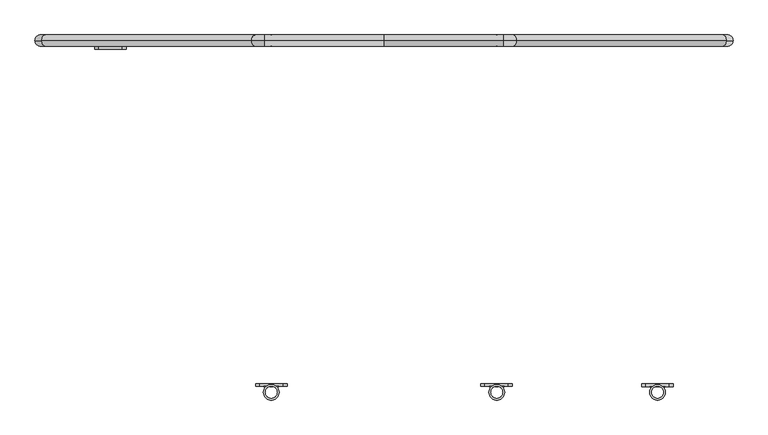
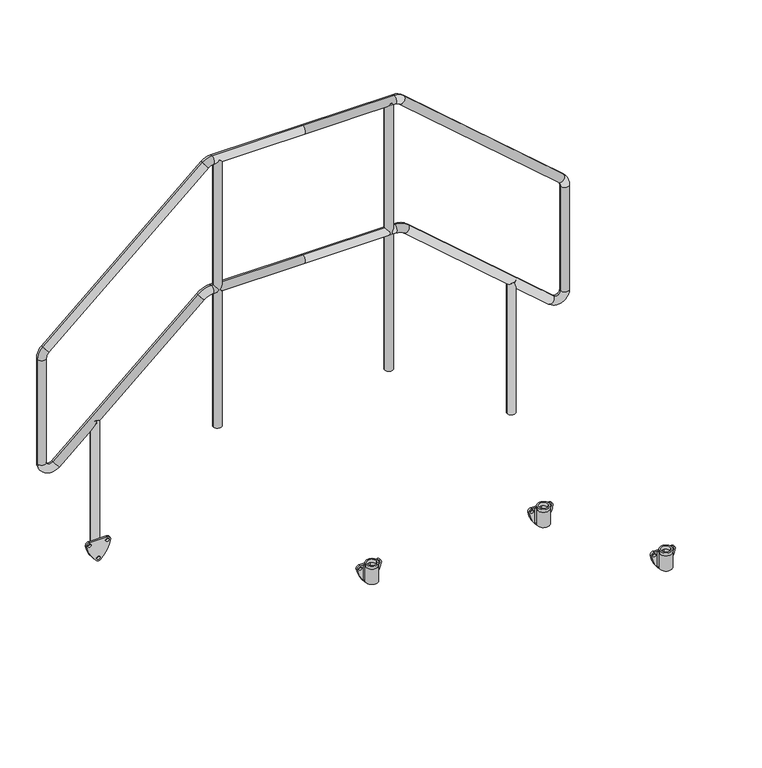
"""IFC4 building model written with IfcOpenShell, lengths in millimetres: beam geometry."""

from ifc_helpers import new_model, si_unit, point, frame, frame_2d, origin, place, context, project, spatial, polyline, circle_curve, ellipse_curve, trimmed, segment, composite_curve, outline, extrude, source, transform, mapped, element, save
from ifc_brep_helpers import plane_surface, cylinder_surface, revolved_surface, advanced_brep


def beam_7742e177(model_context):
    return source(origin(), model_context, "Body", "SolidModel", [
        extrude(outline(composite_curve([segment(trimmed(circle_curve(frame_2d((312.1021879, -755.6)), 118.3), [point((293.8380046, -872.4816051))], [point((221.6269174, -831.8175533))], False, "CARTESIAN"), True, "CONTINUOUS"), segment(trimmed(circle_curve(frame_2d((231.5021879, -825.0)), 12.0), [point((221.6269174, -831.8175533))], [point((223.2936993, -816.246674))], False, "CARTESIAN"), True, "CONTINUOUS"), segment(trimmed(circle_curve(frame_2d((312.1021879, -894.4)), 118.3), [point((223.2936993, -816.246674))], [point((293.8380046, -777.5183949))], False, "CARTESIAN"), True, "CONTINUOUS"), segment(trimmed(circle_curve(frame_2d((294.5021879, -789.5)), 12.0), [point((293.8380046, -777.5183949))], [point((306.5021879, -789.5))], False, "CARTESIAN"), True, "CONTINUOUS"), segment(polyline([(306.5021879, -789.5), (306.5021879, -860.5)]), True, "CONTINUOUS"), segment(trimmed(circle_curve(frame_2d((294.5021879, -860.5)), 12.0), [point((306.5021879, -860.5))], [point((293.8380046, -872.4816051))], False, "CARTESIAN"), True, "CONTINUOUS")], self_intersect=False), holes=[composite_curve([segment(trimmed(circle_curve(frame_2d((231.5021879, -825.0)), 6.0), [point((231.5021879, -831.0))], [point((231.5021879, -819.0))], True, "CARTESIAN"), True, "CONTINUOUS"), segment(trimmed(circle_curve(frame_2d((231.5021879, -825.0)), 6.0), [point((231.5021879, -819.0))], [point((231.5021879, -831.0))], True, "CARTESIAN"), True, "CONTINUOUS")], self_intersect=False), composite_curve([segment(trimmed(circle_curve(frame_2d((294.5021879, -860.5)), 6.0), [point((294.5021879, -866.5))], [point((294.5021879, -854.5))], True, "CARTESIAN"), True, "CONTINUOUS"), segment(trimmed(circle_curve(frame_2d((294.5021879, -860.5)), 6.0), [point((294.5021879, -854.5))], [point((294.5021879, -866.5))], True, "CARTESIAN"), True, "CONTINUOUS")], self_intersect=False), composite_curve([segment(trimmed(circle_curve(frame_2d((294.5021879, -789.5)), 6.0), [point((294.5021879, -783.5))], [point((294.5021879, -795.5))], True, "CARTESIAN"), True, "CONTINUOUS"), segment(trimmed(circle_curve(frame_2d((294.5021879, -789.5)), 6.0), [point((294.5021879, -795.5))], [point((294.5021879, -783.5))], True, "CARTESIAN"), True, "CONTINUOUS")], self_intersect=False)]), frame((0.0, 505.0, 0.0), z_axis=(0.0, 1.0, 0.0), x_axis=(0.0, 0.0, 1.0)), (0.0, 0.0, 1.0), 8.0),
        extrude(outline(composite_curve([segment(trimmed(circle_curve(frame_2d((-825.0, 530.5)), 16.8), [point((-841.8, 530.5))], [point((-808.2, 530.5))], False, "CARTESIAN"), True, "CONTINUOUS"), segment(trimmed(circle_curve(frame_2d((-825.0, 530.5)), 16.8), [point((-808.2, 530.5))], [point((-841.8, 530.5))], False, "CARTESIAN"), True, "CONTINUOUS")], self_intersect=False)), frame((0.0, 0.0, 248.5021879), z_axis=(0.0, 0.0, 1.0), x_axis=(1.0, 0.0, 0.0)), (0.0, 0.0, 1.0), 552.0),
        extrude(outline(composite_curve([segment(trimmed(circle_curve(frame_2d((825.0, 530.5)), 16.8), [point((841.8, 530.5))], [point((808.2, 530.5))], False, "CARTESIAN"), True, "CONTINUOUS"), segment(trimmed(circle_curve(frame_2d((825.0, 530.5)), 16.8), [point((808.2, 530.5))], [point((841.8, 530.5))], False, "CARTESIAN"), True, "CONTINUOUS")], self_intersect=False)), frame((0.0, 0.0, 248.5021879), z_axis=(0.0, 0.0, 1.0), x_axis=(1.0, 0.0, 0.0)), (0.0, 0.0, 1.0), 552.0),
        extrude(outline(composite_curve([segment(trimmed(circle_curve(frame_2d((-340.0, 530.5)), 16.8), [point((-356.8, 530.5))], [point((-323.2, 530.5))], False, "CARTESIAN"), True, "CONTINUOUS"), segment(trimmed(circle_curve(frame_2d((-340.0, 530.5)), 16.8), [point((-323.2, 530.5))], [point((-356.8, 530.5))], False, "CARTESIAN"), True, "CONTINUOUS")], self_intersect=False)), frame((0.0, 0.0, 600.5021879), z_axis=(0.0, 0.0, 1.0), x_axis=(1.0, 0.0, 0.0)), (0.0, 0.0, 1.0), 1120.0),
        extrude(outline(composite_curve([segment(trimmed(circle_curve(frame_2d((340.0, 530.5)), 16.8), [point((356.8, 530.5))], [point((323.2, 530.5))], False, "CARTESIAN"), True, "CONTINUOUS"), segment(trimmed(circle_curve(frame_2d((340.0, 530.5)), 16.8), [point((323.2, 530.5))], [point((356.8, 530.5))], False, "CARTESIAN"), True, "CONTINUOUS")], self_intersect=False)), frame((0.0, 0.0, 600.5021879), z_axis=(0.0, 0.0, 1.0), x_axis=(1.0, 0.0, 0.0)), (0.0, 0.0, 1.0), 1120.0),
        advanced_brep(
        [(0.0, 530.5, 1703.9021879), (0.0, 530.5, 1737.5021879), (360.0669192, 530.5, 1737.5021879), (360.0669192, 530.5, 1703.9021879), (399.430461, 530.5, 1722.7847627), (377.3868776, 530.5, 1697.4265208), (1032.3635417, 530.5, 1172.5844296), (1010.3199584, 530.5, 1147.2261877), (1053.0, 530.5, 1127.3018548), (1019.4, 530.5, 1127.3018548), (1053.0, 530.5, 689.3047776), (1019.4, 530.5, 689.3047776), (970.1970486, 530.5, 651.5692986), (992.2406319, 530.5, 676.9275405), (396.6087175, 530.5, 1150.1820278), (418.6523008, 530.5, 1175.5402697), (363.805766, 530.5, 1162.4465487), (363.805766, 530.5, 1196.0465487), (0.0, 530.5, 1162.4465487), (0.0, 530.5, 1196.0465487), (-360.0669192, 530.5, 1703.9021879), (-360.0669192, 530.5, 1737.5021879), (-377.3868776, 530.5, 1697.4265208), (-399.430461, 530.5, 1722.7847627), (-1010.3199584, 530.5, 1147.2261877), (-1032.3635417, 530.5, 1172.5844296), (-1019.4, 530.5, 1127.3018548), (-1053.0, 530.5, 1127.3018548), (-1019.4, 530.5, 689.3047776), (-1053.0, 530.5, 689.3047776), (-992.2406319, 530.5, 676.9275405), (-970.1970486, 530.5, 651.5692986), (-418.6523008, 530.5, 1175.5402697), (-396.6087175, 530.5, 1150.1820278), (-363.805766, 530.5, 1196.0465487), (-363.805766, 530.5, 1162.4465487)],
        [
            (0, 1, circle_curve(frame((0.0, 530.5, 1720.7021879), z_axis=(1.0, 0.0, 0.0), x_axis=(0.0, 0.0, -1.0)), 16.8)),
            (1, 2),
            (2, 3, circle_curve(frame((360.0669192, 530.5, 1720.7021879), z_axis=(-1.0, 0.0, 0.0), x_axis=(0.0, 0.0, -1.0)), 16.8)),
            (3, 0),
            (3, 2, circle_curve(frame((360.0669192, 530.5, 1720.7021879), z_axis=(-1.0, 0.0, 0.0), x_axis=(0.0, 0.0, -1.0)), 16.8)),
            (1, 0, circle_curve(frame((0.0, 530.5, 1720.7021879), z_axis=(1.0, 0.0, 0.0), x_axis=(0.0, 0.0, -1.0)), 16.8)),
            (2, 4, circle_curve(frame((360.0669192, 530.5, 1677.5021879), z_axis=(0.0, 1.0, 0.0), x_axis=(0.0, 0.0, 1.0)), 60.0)),
            (4, 5, circle_curve(frame((388.4086693, 530.5, 1710.1056417), z_axis=(-0.7547095802227741, 0.0, 0.6560590289905048), x_axis=(-0.6560590289905048, 0.0, -0.7547095802227741)), 16.8)),
            (5, 3, circle_curve(frame((360.0669192, 530.5, 1677.5021879), z_axis=(0.0, -1.0, 0.0), x_axis=(0.0, 0.0, 1.0)), 26.4)),
            (5, 4, circle_curve(frame((388.4086693, 530.5, 1710.1056417), z_axis=(-0.754709580222774, 0.0, 0.6560590289905049), x_axis=(-0.6560590289905049, 0.0, -0.754709580222774)), 16.8)),
            (4, 6),
            (6, 7, circle_curve(frame((1021.3417501, 530.5, 1159.9053087), z_axis=(-0.7547095802227749, 0.0, 0.6560590289905042), x_axis=(-0.6560590289905041, 0.0, -0.7547095802227747)), 16.8)),
            (7, 5),
            (7, 6, circle_curve(frame((1021.3417501, 530.5, 1159.9053087), z_axis=(-0.7547095802227749, 0.0, 0.6560590289905042), x_axis=(-0.6560590289905041, 0.0, -0.7547095802227747)), 16.8)),
            (6, 8, circle_curve(frame((993.0, 530.5, 1127.3018548), z_axis=(0.0, 1.0, 0.0), x_axis=(0.6560590289905052, 0.0, 0.7547095802227739)), 60.0)),
            (8, 9, circle_curve(frame((1036.2, 530.5, 1127.3018548), z_axis=(0.0, 0.0, 1.0), x_axis=(-1.0, 0.0, 0.0)), 16.8)),
            (9, 7, circle_curve(frame((993.0, 530.5, 1127.3018548), z_axis=(0.0, -1.0, 0.0), x_axis=(0.6560590289905052, 0.0, 0.7547095802227739)), 26.4)),
            (9, 8, circle_curve(frame((1036.2, 530.5, 1127.3018548), z_axis=(0.0, 0.0, 1.0), x_axis=(-1.0, 0.0, 0.0)), 16.8)),
            (8, 10),
            (10, 11, circle_curve(frame((1036.2, 530.5, 689.3047776), z_axis=(0.0, 0.0, 1.0), x_axis=(-1.0, 0.0, 0.0)), 16.8)),
            (11, 9),
            (11, 10, circle_curve(frame((1036.2, 530.5, 689.3047776), z_axis=(0.0, 0.0, 1.0), x_axis=(-1.0, 0.0, 0.0)), 16.8)),
            (10, 12, circle_curve(frame((1003.0, 530.5, 689.3047776), z_axis=(0.0, 1.0, 0.0), x_axis=(1.0, 0.0, 0.0)), 50.0)),
            (12, 13, circle_curve(frame((981.2188402, 530.5, 664.2484195), z_axis=(0.7547095802227778, 0.0, -0.6560590289905006), x_axis=(0.6560590289905006, 0.0, 0.7547095802227778)), 16.8)),
            (13, 11, circle_curve(frame((1003.0, 530.5, 689.3047776), z_axis=(0.0, -1.0, 0.0), x_axis=(1.0, 0.0, 0.0)), 16.4)),
            (13, 12, circle_curve(frame((981.2188402, 530.5, 664.2484195), z_axis=(0.7547095802227751, 0.0, -0.6560590289905036), x_axis=(0.6560590289905036, 0.0, 0.7547095802227751)), 16.8)),
            (12, 14),
            (14, 15, circle_curve(frame((407.6305092, 530.5, 1162.8611487), z_axis=(0.754709580222775, 0.0, -0.6560590289905041), x_axis=(0.6560590289905041, 0.0, 0.754709580222775)), 16.8)),
            (15, 13),
            (15, 14, circle_curve(frame((407.6305092, 530.5, 1162.8611487), z_axis=(0.754709580222775, 0.0, -0.6560590289905041), x_axis=(0.6560590289905041, 0.0, 0.754709580222775)), 16.8)),
            (14, 16, circle_curve(frame((363.805766, 530.5, 1112.4465487), z_axis=(0.0, -1.0, 0.0), x_axis=(0.6560590289905083, 0.0, 0.754709580222771)), 50.0)),
            (16, 17, circle_curve(frame((363.805766, 530.5, 1179.2465487), z_axis=(0.9999999999999998, 0.0, 0.0), x_axis=(0.0, 0.0, 0.9999999999999998)), 16.8)),
            (17, 15, circle_curve(frame((363.805766, 530.5, 1112.4465487), z_axis=(0.0, 1.0, 0.0), x_axis=(0.6560590289905083, 0.0, 0.754709580222771)), 83.6)),
            (17, 16, circle_curve(frame((363.805766, 530.5, 1179.2465487), z_axis=(0.9999999999999999, 0.0, 0.0), x_axis=(0.0, 0.0, 0.9999999999999999)), 16.8)),
            (16, 18),
            (18, 19, circle_curve(frame((0.0, 530.5, 1179.2465487), z_axis=(1.0, 0.0, 0.0), x_axis=(0.0, 0.0, 1.0)), 16.8)),
            (19, 17),
            (19, 18, circle_curve(frame((0.0, 530.5, 1179.2465487), z_axis=(1.0, 0.0, 0.0), x_axis=(0.0, 0.0, 1.0)), 16.8)),
            (0, 20),
            (20, 21, circle_curve(frame((-360.0669192, 530.5, 1720.7021879), z_axis=(1.0, 0.0, 0.0), x_axis=(0.0, 0.0, -1.0)), 16.8)),
            (21, 1),
            (21, 20, circle_curve(frame((-360.0669192, 530.5, 1720.7021879), z_axis=(1.0, 0.0, 0.0), x_axis=(0.0, 0.0, -1.0)), 16.8)),
            (20, 22, circle_curve(frame((-360.0669192, 530.5, 1677.5021879), z_axis=(0.0, -1.0, 0.0), x_axis=(0.0, 0.0, 1.0)), 26.4)),
            (22, 23, circle_curve(frame((-388.4086693, 530.5, 1710.1056417), z_axis=(0.7547095802227722, 0.0, 0.656059028990507), x_axis=(0.656059028990507, 0.0, -0.7547095802227722)), 16.8)),
            (23, 21, circle_curve(frame((-360.0669192, 530.5, 1677.5021879), z_axis=(0.0, 1.0, 0.0), x_axis=(0.0, 0.0, 1.0)), 60.0)),
            (23, 22, circle_curve(frame((-388.4086693, 530.5, 1710.1056417), z_axis=(0.7547095802227739, 0.0, 0.6560590289905052), x_axis=(0.6560590289905052, 0.0, -0.7547095802227739)), 16.8)),
            (22, 24),
            (24, 25, circle_curve(frame((-1021.3417501, 530.5, 1159.9053087), z_axis=(0.7547095802227749, 0.0, 0.6560590289905042), x_axis=(0.6560590289905041, 0.0, -0.7547095802227747)), 16.8)),
            (25, 23),
            (25, 24, circle_curve(frame((-1021.3417501, 530.5, 1159.9053087), z_axis=(0.7547095802227749, 0.0, 0.6560590289905042), x_axis=(0.6560590289905041, 0.0, -0.7547095802227747)), 16.8)),
            (24, 26, circle_curve(frame((-993.0, 530.5, 1127.3018548), z_axis=(0.0, -1.0, 0.0), x_axis=(-0.6560590289905052, 0.0, 0.7547095802227739)), 26.4)),
            (26, 27, circle_curve(frame((-1036.2, 530.5, 1127.3018548), z_axis=(0.0, 0.0, 1.0), x_axis=(1.0, 0.0, 0.0)), 16.8)),
            (27, 25, circle_curve(frame((-993.0, 530.5, 1127.3018548), z_axis=(0.0, 1.0, 0.0), x_axis=(-0.6560590289905052, 0.0, 0.7547095802227739)), 60.0)),
            (27, 26, circle_curve(frame((-1036.2, 530.5, 1127.3018548), z_axis=(0.0, 0.0, 1.0), x_axis=(1.0, 0.0, 0.0)), 16.8)),
            (26, 28),
            (28, 29, circle_curve(frame((-1036.2, 530.5, 689.3047776), z_axis=(0.0, 0.0, 1.0), x_axis=(1.0, 0.0, 0.0)), 16.8)),
            (29, 27),
            (29, 28, circle_curve(frame((-1036.2, 530.5, 689.3047776), z_axis=(0.0, 0.0, 1.0), x_axis=(1.0, 0.0, 0.0)), 16.8)),
            (28, 30, circle_curve(frame((-1003.0, 530.5, 689.3047776), z_axis=(0.0, -1.0, 0.0), x_axis=(-1.0, 0.0, 0.0)), 16.4)),
            (30, 31, circle_curve(frame((-981.2188402, 530.5, 664.2484195), z_axis=(-0.7547095802227816, 0.0, -0.6560590289904962), x_axis=(-0.6560590289904962, 0.0, 0.7547095802227816)), 16.8)),
            (31, 29, circle_curve(frame((-1003.0, 530.5, 689.3047776), z_axis=(0.0, 1.0, 0.0), x_axis=(-1.0, 0.0, 0.0)), 50.0)),
            (31, 30, circle_curve(frame((-981.2188402, 530.5, 664.2484195), z_axis=(-0.7547095802227767, 0.0, -0.656059028990502), x_axis=(-0.656059028990502, 0.0, 0.7547095802227767)), 16.8)),
            (30, 32),
            (32, 33, circle_curve(frame((-407.6305092, 530.5, 1162.8611487), z_axis=(-0.7547095802227749, 0.0, -0.6560590289905041), x_axis=(-0.6560590289905041, 0.0, 0.7547095802227749)), 16.8)),
            (33, 31),
            (33, 32, circle_curve(frame((-407.6305092, 530.5, 1162.8611487), z_axis=(-0.7547095802227749, 0.0, -0.6560590289905041), x_axis=(-0.6560590289905041, 0.0, 0.7547095802227749)), 16.8)),
            (32, 34, circle_curve(frame((-363.805766, 530.5, 1112.4465487), z_axis=(0.0, 1.0, 0.0), x_axis=(-0.6560590289905083, 0.0, 0.754709580222771)), 83.6)),
            (34, 35, circle_curve(frame((-363.805766, 530.5, 1179.2465487), z_axis=(-0.9999999999999999, 0.0, 0.0), x_axis=(0.0, 0.0, 0.9999999999999999)), 16.8)),
            (35, 33, circle_curve(frame((-363.805766, 530.5, 1112.4465487), z_axis=(0.0, -1.0, 0.0), x_axis=(-0.6560590289905083, 0.0, 0.754709580222771)), 50.0)),
            (35, 34, circle_curve(frame((-363.805766, 530.5, 1179.2465487), z_axis=(-0.9999999999999999, 0.0, 0.0), x_axis=(0.0, 0.0, 0.9999999999999999)), 16.8)),
            (34, 19),
            (18, 35),
        ],
        [
            cylinder_surface(frame((0.0, 530.5, 1720.7021879), z_axis=(-1.0, 0.0, 0.0), x_axis=(0.0, 0.0, -1.0)), 16.8),
            revolved_surface(trimmed(ellipse_curve(frame((360.0669192, 530.5, 1720.7021879), z_axis=(1.0, 0.0, 0.0), x_axis=(0.0, 0.0, -1.0)), 16.8, 16.8), [point((360.0669192, 530.5, 1703.9021879))], [point((360.0669192, 530.5, 1737.5021879))], True, "CARTESIAN"), (360.0669192, 530.5, 1677.5021879), (0.0, -1.0, 0.0)),
            revolved_surface(trimmed(ellipse_curve(frame((360.0669192, 530.5, 1720.7021879), z_axis=(1.0, 0.0, 0.0), x_axis=(0.0, 0.0, -1.0)), 16.8, 16.8), [point((360.0669192, 530.5, 1737.5021879))], [point((360.0669192, 530.5, 1703.9021879))], True, "CARTESIAN"), (360.0669192, 530.5, 1677.5021879), (0.0, -1.0, 0.0)),
            cylinder_surface(frame((388.4086693, 530.5, 1710.1056417), z_axis=(-0.7547095802227747, 0.0, 0.6560590289905041), x_axis=(-0.6560590289905041, 0.0, -0.7547095802227747)), 16.8),
            revolved_surface(trimmed(ellipse_curve(frame((1021.3417501, 530.5, 1159.9053087), z_axis=(0.754709580222774, 0.0, -0.656059028990505), x_axis=(-0.656059028990505, 0.0, -0.754709580222774)), 16.8, 16.8), [point((1010.3199584, 530.5, 1147.2261877))], [point((1032.3635417, 530.5, 1172.5844296))], True, "CARTESIAN"), (993.0, 530.5, 1127.3018548), (0.0, -1.0, 0.0)),
            revolved_surface(trimmed(ellipse_curve(frame((1021.3417501, 530.5, 1159.9053087), z_axis=(0.754709580222774, 0.0, -0.656059028990505), x_axis=(-0.656059028990505, 0.0, -0.754709580222774)), 16.8, 16.8), [point((1032.3635417, 530.5, 1172.5844296))], [point((1010.3199584, 530.5, 1147.2261877))], True, "CARTESIAN"), (993.0, 530.5, 1127.3018548), (0.0, -1.0, 0.0)),
            cylinder_surface(frame((1036.2, 530.5, 1127.3018548), z_axis=(0.0, 0.0, 1.0), x_axis=(-1.0, 0.0, 0.0)), 16.8),
            revolved_surface(trimmed(ellipse_curve(frame((1036.2, 530.5, 689.3047776), z_axis=(0.0, 0.0, -1.0), x_axis=(-1.0, 0.0, 0.0)), 16.8, 16.8), [point((1019.4, 530.5, 689.3047776))], [point((1053.0, 530.5, 689.3047776))], True, "CARTESIAN"), (1003.0, 530.5, 689.3047776), (0.0, -1.0, 0.0)),
            revolved_surface(trimmed(ellipse_curve(frame((1036.2, 530.5, 689.3047776), z_axis=(0.0, 0.0, -1.0), x_axis=(-1.0, 0.0, 0.0)), 16.8, 16.8), [point((1053.0, 530.5, 689.3047776))], [point((1019.4, 530.5, 689.3047776))], True, "CARTESIAN"), (1003.0, 530.5, 689.3047776), (0.0, -1.0, 0.0)),
            cylinder_surface(frame((981.2188402, 530.5, 664.2484195), z_axis=(0.754709580222775, 0.0, -0.6560590289905041), x_axis=(0.6560590289905041, 0.0, 0.754709580222775)), 16.8),
            revolved_surface(trimmed(ellipse_curve(frame((407.6305092, 530.5, 1162.8611487), z_axis=(-0.7547095802227712, 0.0, 0.656059028990508), x_axis=(0.656059028990508, 0.0, 0.7547095802227712)), 16.8, 16.8), [point((418.6523008, 530.5, 1175.5402697))], [point((396.6087175, 530.5, 1150.1820278))], True, "CARTESIAN"), (363.805766, 530.5, 1112.4465487), (0.0, 1.0, 0.0)),
            revolved_surface(trimmed(ellipse_curve(frame((407.6305092, 530.5, 1162.8611487), z_axis=(-0.7547095802227712, 0.0, 0.656059028990508), x_axis=(0.656059028990508, 0.0, 0.7547095802227712)), 16.8, 16.8), [point((396.6087175, 530.5, 1150.1820278))], [point((418.6523008, 530.5, 1175.5402697))], True, "CARTESIAN"), (363.805766, 530.5, 1112.4465487), (0.0, 1.0, 0.0)),
            cylinder_surface(frame((363.805766, 530.5, 1179.2465487), z_axis=(1.0, 0.0, 0.0), x_axis=(0.0, 0.0, 1.0)), 16.8),
            cylinder_surface(frame((0.0, 530.5, 1720.7021879), z_axis=(1.0, 0.0, 0.0), x_axis=(0.0, 0.0, -1.0)), 16.8),
            revolved_surface(trimmed(ellipse_curve(frame((-360.0669192, 530.5, 1720.7021879), z_axis=(-1.0, 0.0, 0.0), x_axis=(0.0, 0.0, -1.0)), 16.8, 16.8), [point((-360.0669192, 530.5, 1737.5021879))], [point((-360.0669192, 530.5, 1703.9021879))], True, "CARTESIAN"), (-360.0669192, 530.5, 1677.5021879), (0.0, 1.0, 0.0)),
            revolved_surface(trimmed(ellipse_curve(frame((-360.0669192, 530.5, 1720.7021879), z_axis=(-1.0, 0.0, 0.0), x_axis=(0.0, 0.0, -1.0)), 16.8, 16.8), [point((-360.0669192, 530.5, 1703.9021879))], [point((-360.0669192, 530.5, 1737.5021879))], True, "CARTESIAN"), (-360.0669192, 530.5, 1677.5021879), (0.0, 1.0, 0.0)),
            cylinder_surface(frame((-388.4086693, 530.5, 1710.1056417), z_axis=(0.7547095802227747, 0.0, 0.6560590289905041), x_axis=(0.6560590289905041, 0.0, -0.7547095802227747)), 16.8),
            revolved_surface(trimmed(ellipse_curve(frame((-1021.3417501, 530.5, 1159.9053087), z_axis=(-0.754709580222774, 0.0, -0.656059028990505), x_axis=(0.656059028990505, 0.0, -0.754709580222774)), 16.8, 16.8), [point((-1032.3635417, 530.5, 1172.5844296))], [point((-1010.3199584, 530.5, 1147.2261877))], True, "CARTESIAN"), (-993.0, 530.5, 1127.3018548), (0.0, 1.0, 0.0)),
            revolved_surface(trimmed(ellipse_curve(frame((-1021.3417501, 530.5, 1159.9053087), z_axis=(-0.754709580222774, 0.0, -0.656059028990505), x_axis=(0.656059028990505, 0.0, -0.754709580222774)), 16.8, 16.8), [point((-1010.3199584, 530.5, 1147.2261877))], [point((-1032.3635417, 530.5, 1172.5844296))], True, "CARTESIAN"), (-993.0, 530.5, 1127.3018548), (0.0, 1.0, 0.0)),
            cylinder_surface(frame((-1036.2, 530.5, 1127.3018548), z_axis=(0.0, 0.0, 1.0), x_axis=(1.0, 0.0, 0.0)), 16.8),
            revolved_surface(trimmed(ellipse_curve(frame((-1036.2, 530.5, 689.3047776), z_axis=(0.0, 0.0, -1.0), x_axis=(1.0, 0.0, 0.0)), 16.8, 16.8), [point((-1053.0, 530.5, 689.3047776))], [point((-1019.4, 530.5, 689.3047776))], True, "CARTESIAN"), (-1003.0, 530.5, 689.3047776), (0.0, 1.0, 0.0)),
            revolved_surface(trimmed(ellipse_curve(frame((-1036.2, 530.5, 689.3047776), z_axis=(0.0, 0.0, -1.0), x_axis=(1.0, 0.0, 0.0)), 16.8, 16.8), [point((-1019.4, 530.5, 689.3047776))], [point((-1053.0, 530.5, 689.3047776))], True, "CARTESIAN"), (-1003.0, 530.5, 689.3047776), (0.0, 1.0, 0.0)),
            cylinder_surface(frame((-981.2188402, 530.5, 664.2484195), z_axis=(-0.7547095802227749, 0.0, -0.6560590289905041), x_axis=(-0.6560590289905041, 0.0, 0.7547095802227749)), 16.8),
            revolved_surface(trimmed(ellipse_curve(frame((-407.6305092, 530.5, 1162.8611487), z_axis=(0.7547095802227712, 0.0, 0.656059028990508), x_axis=(-0.656059028990508, 0.0, 0.7547095802227712)), 16.8, 16.8), [point((-396.6087175, 530.5, 1150.1820278))], [point((-418.6523008, 530.5, 1175.5402697))], True, "CARTESIAN"), (-363.805766, 530.5, 1112.4465487), (0.0, -1.0, 0.0)),
            revolved_surface(trimmed(ellipse_curve(frame((-407.6305092, 530.5, 1162.8611487), z_axis=(0.7547095802227712, 0.0, 0.656059028990508), x_axis=(-0.656059028990508, 0.0, 0.7547095802227712)), 16.8, 16.8), [point((-418.6523008, 530.5, 1175.5402697))], [point((-396.6087175, 530.5, 1150.1820278))], True, "CARTESIAN"), (-363.805766, 530.5, 1112.4465487), (0.0, -1.0, 0.0)),
            cylinder_surface(frame((-363.805766, 530.5, 1179.2465487), z_axis=(-1.0, 0.0, 0.0), x_axis=(0.0, 0.0, 1.0)), 16.8),
        ],
        [
            (0, [[1, 2, 3, 4]]),
            (0, [[5, -2, 6, -4]]),
            (1, [[7, 8, 9, -3]]),
            (2, [[-9, 10, -7, -5]]),
            (3, [[11, 12, 13, -8]]),
            (3, [[-13, 14, -11, -10]]),
            (4, [[15, 16, 17, -12]]),
            (5, [[-17, 18, -15, -14]]),
            (6, [[19, 20, 21, -16]]),
            (6, [[-21, 22, -19, -18]]),
            (7, [[23, 24, 25, -20]]),
            (8, [[-25, 26, -23, -22]]),
            (9, [[27, 28, 29, -24]]),
            (9, [[-29, 30, -27, -26]]),
            (10, [[31, 32, 33, -28]]),
            (11, [[-33, 34, -31, -30]]),
            (12, [[35, 36, 37, -32]]),
            (12, [[-37, 38, -35, -34]]),
            (13, [[-1, 39, 40, 41]]),
            (13, [[42, -39, -6, -41]]),
            (14, [[43, 44, 45, -40]]),
            (15, [[-45, 46, -43, -42]]),
            (16, [[47, 48, 49, -44]]),
            (16, [[-49, 50, -47, -46]]),
            (17, [[51, 52, 53, -48]]),
            (18, [[-53, 54, -51, -50]]),
            (19, [[55, 56, 57, -52]]),
            (19, [[-57, 58, -55, -54]]),
            (20, [[59, 60, 61, -56]]),
            (21, [[-61, 62, -59, -58]]),
            (22, [[63, 64, 65, -60]]),
            (22, [[-65, 66, -63, -62]]),
            (23, [[67, 68, 69, -64]]),
            (24, [[-69, 70, -67, -66]]),
            (25, [[71, -36, 72, -68]]),
            (25, [[-72, -38, -71, -70]]),
        ],
    ),
        advanced_brep(
        [(801.5, -530.5, 318.5021879), (848.5, -530.5, 318.5021879), (807.5, -530.5, 318.5021879), (842.5, -530.5, 318.5021879), (809.3156129, -513.0, 306.5021879), (840.6843871, -513.0, 306.5021879), (825.0, -513.0, 306.5021879), (807.5, -530.5, 306.5021879), (820.7257904, -513.5299932, 306.5021879), (825.0, -513.0, 306.5021879), (829.2742096, -513.5299932, 306.5021879), (842.5, -530.5, 306.5021879), (801.5, -530.5, 306.5021879), (848.5, -530.5, 306.5021879), (844.9275065, -518.0442991, 306.5021879), (805.0724935, -518.0442991, 306.5021879), (847.839834, -513.0, 306.5021879), (802.160166, -513.0, 306.5021879), (844.9275065, -518.0442991, 242.5021879), (805.0724935, -518.0442991, 242.5021879), (802.160166, -513.0, 242.5021879), (847.839834, -513.0, 242.5021879), (829.2742096, -513.5299932, 242.5021879), (820.7257904, -513.5299932, 242.5021879)],
        [
            (0, 1, circle_curve(frame((825.0, -530.5, 318.5021879), z_axis=(0.0, 0.0, 1.0), x_axis=(1.0, 0.0, 0.0)), 23.5)),
            (1, 0, circle_curve(frame((825.0, -530.5, 318.5021879), z_axis=(0.0, 0.0, 1.0), x_axis=(1.0, 0.0, 0.0)), 23.5)),
            (2, 3, circle_curve(frame((825.0, -530.5, 318.5021879), z_axis=(0.0, 0.0, -1.0), x_axis=(1.0, 0.0, 0.0)), 17.5)),
            (3, 2, circle_curve(frame((825.0, -530.5, 318.5021879), z_axis=(0.0, 0.0, -1.0), x_axis=(1.0, 0.0, 0.0)), 17.5)),
            (4, 5, circle_curve(frame((825.0, -530.5, 306.5021879), z_axis=(0.0, 0.0, -1.0), x_axis=(1.0, 0.0, 0.0)), 23.5)),
            (5, 6),
            (6, 4),
            (2, 7),
            (7, 8, circle_curve(frame((825.0, -530.5, 306.5021879), z_axis=(0.0, 0.0, -1.0), x_axis=(1.0, 0.0, 0.0)), 17.5)),
            (8, 9, circle_curve(frame((825.0, -530.5, 306.5021879), z_axis=(0.0, 0.0, -1.0), x_axis=(1.0, 0.0, 0.0)), 17.5)),
            (9, 10, circle_curve(frame((825.0, -530.5, 306.5021879), z_axis=(0.0, 0.0, -1.0), x_axis=(1.0, 0.0, 0.0)), 17.5)),
            (10, 11, circle_curve(frame((825.0, -530.5, 306.5021879), z_axis=(0.0, 0.0, -1.0), x_axis=(1.0, 0.0, 0.0)), 17.5)),
            (11, 3),
            (11, 7, circle_curve(frame((825.0, -530.5, 306.5021879), z_axis=(0.0, 0.0, -1.0), x_axis=(1.0, 0.0, 0.0)), 17.5)),
            (0, 12),
            (12, 13, circle_curve(frame((825.0, -530.5, 306.5021879), z_axis=(0.0, 0.0, 1.0), x_axis=(1.0, 0.0, 0.0)), 23.5)),
            (13, 1),
            (13, 14, circle_curve(frame((825.0, -530.5, 306.5021879), z_axis=(0.0, 0.0, 1.0), x_axis=(1.0, 0.0, 0.0)), 23.5)),
            (14, 5, circle_curve(frame((825.0, -530.5, 306.5021879), z_axis=(0.0, 0.0, 1.0), x_axis=(1.0, 0.0, 0.0)), 23.5)),
            (4, 15, circle_curve(frame((825.0, -530.5, 306.5021879), z_axis=(0.0, 0.0, 1.0), x_axis=(1.0, 0.0, 0.0)), 23.5)),
            (15, 12, circle_curve(frame((825.0, -530.5, 306.5021879), z_axis=(0.0, 0.0, 1.0), x_axis=(1.0, 0.0, 0.0)), 23.5)),
            (8, 10),
            (14, 16, circle_curve(frame((847.8288747, -516.3565387, 306.5021879), z_axis=(0.0, 0.0, -1.0), x_axis=(-1.0, 0.0, 0.0)), 3.3565566)),
            (16, 5),
            (17, 15, circle_curve(frame((802.1711253, -516.3565387, 306.5021879), z_axis=(0.0, 0.0, -1.0), x_axis=(1.0, 0.0, 0.0)), 3.3565566)),
            (4, 17),
            (18, 19, circle_curve(frame((825.0, -530.5, 242.5021879), z_axis=(0.0, 0.0, -1.0), x_axis=(1.0, 0.0, 0.0)), 23.5)),
            (19, 20, circle_curve(frame((802.1711253, -516.3565387, 242.5021879), z_axis=(0.0, 0.0, 1.0), x_axis=(1.0, 0.0, 0.0)), 3.3565566)),
            (20, 21),
            (21, 18, circle_curve(frame((847.8288747, -516.3565387, 242.5021879), z_axis=(0.0, 0.0, 1.0), x_axis=(-1.0, 0.0, 0.0)), 3.3565566)),
            (22, 23),
            (23, 22, circle_curve(frame((825.0, -530.5, 242.5021879), z_axis=(0.0, 0.0, 1.0), x_axis=(1.0, 0.0, 0.0)), 17.5)),
            (23, 8),
            (10, 22),
            (14, 18),
            (21, 16),
            (20, 17),
            (19, 15),
        ],
        [
            plane_surface(frame((842.5, -530.5, 318.5021879), z_axis=(0.0, 0.0, 1.0), x_axis=(0.0, -1.0, 0.0))),
            plane_surface(frame((842.5, -530.5, 306.5021879), z_axis=(0.0, 0.0, -1.0), x_axis=(0.0, 1.0, 0.0))),
            revolved_surface(polyline([(842.5, -530.5, 306.5021879), (842.5, -530.5, 318.5021879)]), (825.0, -530.5, 306.5021879), (0.0, 0.0, -1.0)),
            cylinder_surface(frame((825.0, -530.5, 306.5021879), z_axis=(0.0, 0.0, 1.0), x_axis=(1.0, 0.0, 0.0)), 23.5),
            plane_surface(frame((842.5, -530.5, 306.5021879), z_axis=(0.0, 0.0, 1.0), x_axis=(0.0, -1.0, 0.0))),
            plane_surface(frame((842.5, -530.5, 242.5021879), z_axis=(0.0, 0.0, -1.0), x_axis=(0.0, 1.0, 0.0))),
            revolved_surface(polyline([(842.5, -530.5, 242.5021879), (842.5, -530.5, 306.5021879)]), (825.0, -530.5, 242.5021879), (0.0, 0.0, -1.0)),
            plane_surface(frame((820.7257904, -513.5299932, 306.5021879), z_axis=(0.0, -1.0, 0.0), x_axis=(0.0, 0.0, -1.0))),
            revolved_surface(polyline([(844.4723181, -516.3565387, 242.5021879), (844.4723181, -516.3565387, 306.5021879)]), (847.8288747, -516.3565387, 242.5021879), (0.0, 0.0, -1.0)),
            plane_surface(frame((847.839834, -513.0, 306.5021879), z_axis=(0.0, 1.0, 0.0), x_axis=(0.0, 0.0, -1.0))),
            revolved_surface(polyline([(805.5276819, -516.3565387, 242.5021879), (805.5276819, -516.3565387, 306.5021879)]), (802.1711253, -516.3565387, 242.5021879), (0.0, 0.0, -1.0)),
            cylinder_surface(frame((825.0, -530.5, 242.5021879), z_axis=(0.0, 0.0, 1.0), x_axis=(1.0, 0.0, 0.0)), 23.5),
        ],
        [
            (0, [[1, 2], [3, 4]]),
            (1, [[5, 6, 7]]),
            (2, [[-3, 8, 9, 10, 11, 12, 13]]),
            (2, [[-4, -13, 14, -8]]),
            (3, [[-1, 15, 16, 17]]),
            (3, [[-2, -17, 18, 19, -5, 20, 21, -15]]),
            (4, [[22, -11, -10]]),
            (4, [[23, 24, -19]]),
            (4, [[25, -20, 26]]),
            (5, [[27, 28, 29, 30], [31, 32]]),
            (6, [[-32, 33, -9, -14, -12, 34]]),
            (7, [[-22, -33, -31, -34]]),
            (8, [[-23, 35, -30, 36]]),
            (9, [[-29, 37, -26, -7, -6, -24, -36]]),
            (10, [[-25, -37, -28, 38]]),
            (11, [[-27, -35, -18, -16, -21, -38]]),
        ],
    ),
        extrude(outline(composite_curve([segment(trimmed(circle_curve(frame_2d((312.1021879, 894.4)), 118.3), [point((293.8380046, 777.5183949))], [point((221.6269174, 818.1824467))], False, "CARTESIAN"), True, "CONTINUOUS"), segment(trimmed(circle_curve(frame_2d((231.5021879, 825.0)), 12.0), [point((221.6269174, 818.1824467))], [point((223.2936993, 833.753326))], False, "CARTESIAN"), True, "CONTINUOUS"), segment(trimmed(circle_curve(frame_2d((312.1021879, 755.6)), 118.3), [point((223.2936993, 833.753326))], [point((293.8380046, 872.4816051))], False, "CARTESIAN"), True, "CONTINUOUS"), segment(trimmed(circle_curve(frame_2d((294.5021879, 860.5)), 12.0), [point((293.8380046, 872.4816051))], [point((306.5021879, 860.5))], False, "CARTESIAN"), True, "CONTINUOUS"), segment(polyline([(306.5021879, 860.5), (306.5021879, 789.5)]), True, "CONTINUOUS"), segment(trimmed(circle_curve(frame_2d((294.5021879, 789.5)), 12.0), [point((306.5021879, 789.5))], [point((293.8380046, 777.5183949))], False, "CARTESIAN"), True, "CONTINUOUS")], self_intersect=False), holes=[composite_curve([segment(trimmed(circle_curve(frame_2d((231.5021879, 825.0)), 6.0), [point((231.5021879, 819.0))], [point((231.5021879, 831.0))], True, "CARTESIAN"), True, "CONTINUOUS"), segment(trimmed(circle_curve(frame_2d((231.5021879, 825.0)), 6.0), [point((231.5021879, 831.0))], [point((231.5021879, 819.0))], True, "CARTESIAN"), True, "CONTINUOUS")], self_intersect=False), composite_curve([segment(trimmed(circle_curve(frame_2d((294.5021879, 789.5)), 6.0), [point((294.5021879, 783.5))], [point((294.5021879, 795.5))], True, "CARTESIAN"), True, "CONTINUOUS"), segment(trimmed(circle_curve(frame_2d((294.5021879, 789.5)), 6.0), [point((294.5021879, 795.5))], [point((294.5021879, 783.5))], True, "CARTESIAN"), True, "CONTINUOUS")], self_intersect=False), composite_curve([segment(trimmed(circle_curve(frame_2d((294.5021879, 860.5)), 6.0), [point((294.5021879, 866.5))], [point((294.5021879, 854.5))], True, "CARTESIAN"), True, "CONTINUOUS"), segment(trimmed(circle_curve(frame_2d((294.5021879, 860.5)), 6.0), [point((294.5021879, 854.5))], [point((294.5021879, 866.5))], True, "CARTESIAN"), True, "CONTINUOUS")], self_intersect=False)]), frame((0.0, -513.0, 0.0), z_axis=(0.0, 1.0, 0.0), x_axis=(0.0, 0.0, 1.0)), (0.0, 0.0, 1.0), 8.0),
        advanced_brep(
        [(316.5, -530.5, 670.5021879), (363.5, -530.5, 670.5021879), (322.5, -530.5, 670.5021879), (357.5, -530.5, 670.5021879), (324.3156129, -513.0, 658.5021879), (355.6843871, -513.0, 658.5021879), (340.0, -513.0, 658.5021879), (322.5, -530.5, 658.5021879), (335.7257904, -513.5299932, 658.5021879), (340.0, -513.0, 658.5021879), (344.2742096, -513.5299932, 658.5021879), (357.5, -530.5, 658.5021879), (316.5, -530.5, 658.5021879), (363.5, -530.5, 658.5021879), (359.9275065, -518.0442991, 658.5021879), (320.0724935, -518.0442991, 658.5021879), (362.839834, -513.0, 658.5021879), (317.160166, -513.0, 658.5021879), (359.9275065, -518.0442991, 594.5021879), (320.0724935, -518.0442991, 594.5021879), (317.160166, -513.0, 594.5021879), (362.839834, -513.0, 594.5021879), (344.2742096, -513.5299932, 594.5021879), (335.7257904, -513.5299932, 594.5021879)],
        [
            (0, 1, circle_curve(frame((340.0, -530.5, 670.5021879), z_axis=(0.0, 0.0, 1.0), x_axis=(1.0, 0.0, 0.0)), 23.5)),
            (1, 0, circle_curve(frame((340.0, -530.5, 670.5021879), z_axis=(0.0, 0.0, 1.0), x_axis=(1.0, 0.0, 0.0)), 23.5)),
            (2, 3, circle_curve(frame((340.0, -530.5, 670.5021879), z_axis=(0.0, 0.0, -1.0), x_axis=(1.0, 0.0, 0.0)), 17.5)),
            (3, 2, circle_curve(frame((340.0, -530.5, 670.5021879), z_axis=(0.0, 0.0, -1.0), x_axis=(1.0, 0.0, 0.0)), 17.5)),
            (4, 5, circle_curve(frame((340.0, -530.5, 658.5021879), z_axis=(0.0, 0.0, -1.0), x_axis=(1.0, 0.0, 0.0)), 23.5)),
            (5, 6),
            (6, 4),
            (2, 7),
            (7, 8, circle_curve(frame((340.0, -530.5, 658.5021879), z_axis=(0.0, 0.0, -1.0), x_axis=(1.0, 0.0, 0.0)), 17.5)),
            (8, 9, circle_curve(frame((340.0, -530.5, 658.5021879), z_axis=(0.0, 0.0, -1.0), x_axis=(1.0, 0.0, 0.0)), 17.5)),
            (9, 10, circle_curve(frame((340.0, -530.5, 658.5021879), z_axis=(0.0, 0.0, -1.0), x_axis=(1.0, 0.0, 0.0)), 17.5)),
            (10, 11, circle_curve(frame((340.0, -530.5, 658.5021879), z_axis=(0.0, 0.0, -1.0), x_axis=(1.0, 0.0, 0.0)), 17.5)),
            (11, 3),
            (11, 7, circle_curve(frame((340.0, -530.5, 658.5021879), z_axis=(0.0, 0.0, -1.0), x_axis=(1.0, 0.0, 0.0)), 17.5)),
            (0, 12),
            (12, 13, circle_curve(frame((340.0, -530.5, 658.5021879), z_axis=(0.0, 0.0, 1.0), x_axis=(1.0, 0.0, 0.0)), 23.5)),
            (13, 1),
            (13, 14, circle_curve(frame((340.0, -530.5, 658.5021879), z_axis=(0.0, 0.0, 1.0), x_axis=(1.0, 0.0, 0.0)), 23.5)),
            (14, 5, circle_curve(frame((340.0, -530.5, 658.5021879), z_axis=(0.0, 0.0, 1.0), x_axis=(1.0, 0.0, 0.0)), 23.5)),
            (4, 15, circle_curve(frame((340.0, -530.5, 658.5021879), z_axis=(0.0, 0.0, 1.0), x_axis=(1.0, 0.0, 0.0)), 23.5)),
            (15, 12, circle_curve(frame((340.0, -530.5, 658.5021879), z_axis=(0.0, 0.0, 1.0), x_axis=(1.0, 0.0, 0.0)), 23.5)),
            (8, 10),
            (14, 16, circle_curve(frame((362.8288747, -516.3565387, 658.5021879), z_axis=(0.0, 0.0, -1.0), x_axis=(-1.0, 0.0, 0.0)), 3.3565566)),
            (16, 5),
            (17, 15, circle_curve(frame((317.1711253, -516.3565387, 658.5021879), z_axis=(0.0, 0.0, -1.0), x_axis=(1.0, 0.0, 0.0)), 3.3565566)),
            (4, 17),
            (18, 19, circle_curve(frame((340.0, -530.5, 594.5021879), z_axis=(0.0, 0.0, -1.0), x_axis=(1.0, 0.0, 0.0)), 23.5)),
            (19, 20, circle_curve(frame((317.1711253, -516.3565387, 594.5021879), z_axis=(0.0, 0.0, 1.0), x_axis=(1.0, 0.0, 0.0)), 3.3565566)),
            (20, 21),
            (21, 18, circle_curve(frame((362.8288747, -516.3565387, 594.5021879), z_axis=(0.0, 0.0, 1.0), x_axis=(-1.0, 0.0, 0.0)), 3.3565566)),
            (22, 23),
            (23, 22, circle_curve(frame((340.0, -530.5, 594.5021879), z_axis=(0.0, 0.0, 1.0), x_axis=(1.0, 0.0, 0.0)), 17.5)),
            (23, 8),
            (10, 22),
            (14, 18),
            (21, 16),
            (20, 17),
            (19, 15),
        ],
        [
            plane_surface(frame((357.5, -530.5, 670.5021879), z_axis=(0.0, 0.0, 1.0), x_axis=(0.0, -1.0, 0.0))),
            plane_surface(frame((357.5, -530.5, 658.5021879), z_axis=(0.0, 0.0, -1.0), x_axis=(0.0, 1.0, 0.0))),
            revolved_surface(polyline([(357.5, -530.5, 658.5021879), (357.5, -530.5, 670.5021879)]), (340.0, -530.5, 658.5021879), (0.0, 0.0, -1.0)),
            cylinder_surface(frame((340.0, -530.5, 658.5021879), z_axis=(0.0, 0.0, 1.0), x_axis=(1.0, 0.0, 0.0)), 23.5),
            plane_surface(frame((357.5, -530.5, 658.5021879), z_axis=(0.0, 0.0, 1.0), x_axis=(0.0, -1.0, 0.0))),
            plane_surface(frame((357.5, -530.5, 594.5021879), z_axis=(0.0, 0.0, -1.0), x_axis=(0.0, 1.0, 0.0))),
            revolved_surface(polyline([(357.5, -530.5, 594.5021879), (357.5, -530.5, 658.5021879)]), (340.0, -530.5, 594.5021879), (0.0, 0.0, -1.0)),
            plane_surface(frame((335.7257904, -513.5299932, 658.5021879), z_axis=(0.0, -1.0, 0.0), x_axis=(0.0, 0.0, -1.0))),
            revolved_surface(polyline([(359.4723181, -516.3565387, 594.5021879), (359.4723181, -516.3565387, 658.5021879)]), (362.8288747, -516.3565387, 594.5021879), (0.0, 0.0, -1.0)),
            plane_surface(frame((362.839834, -513.0, 658.5021879), z_axis=(0.0, 1.0, 0.0), x_axis=(0.0, 0.0, -1.0))),
            revolved_surface(polyline([(320.5276819, -516.3565387, 594.5021879), (320.5276819, -516.3565387, 658.5021879)]), (317.1711253, -516.3565387, 594.5021879), (0.0, 0.0, -1.0)),
            cylinder_surface(frame((340.0, -530.5, 594.5021879), z_axis=(0.0, 0.0, 1.0), x_axis=(1.0, 0.0, 0.0)), 23.5),
        ],
        [
            (0, [[1, 2], [3, 4]]),
            (1, [[5, 6, 7]]),
            (2, [[-3, 8, 9, 10, 11, 12, 13]]),
            (2, [[-4, -13, 14, -8]]),
            (3, [[-1, 15, 16, 17]]),
            (3, [[-2, -17, 18, 19, -5, 20, 21, -15]]),
            (4, [[22, -11, -10]]),
            (4, [[23, 24, -19]]),
            (4, [[25, -20, 26]]),
            (5, [[27, 28, 29, 30], [31, 32]]),
            (6, [[-32, 33, -9, -14, -12, 34]]),
            (7, [[-22, -33, -31, -34]]),
            (8, [[-23, 35, -30, 36]]),
            (9, [[-29, 37, -26, -7, -6, -24, -36]]),
            (10, [[-25, -37, -28, 38]]),
            (11, [[-27, -35, -18, -16, -21, -38]]),
        ],
    ),
        extrude(outline(composite_curve([segment(trimmed(circle_curve(frame_2d((664.1021879, 409.4)), 118.3), [point((645.8380046, 292.5183949))], [point((573.6269174, 333.1824467))], False, "CARTESIAN"), True, "CONTINUOUS"), segment(trimmed(circle_curve(frame_2d((583.5021879, 340.0)), 12.0), [point((573.6269174, 333.1824467))], [point((575.2936993, 348.753326))], False, "CARTESIAN"), True, "CONTINUOUS"), segment(trimmed(circle_curve(frame_2d((664.1021879, 270.6)), 118.3), [point((575.2936993, 348.753326))], [point((645.8380046, 387.4816051))], False, "CARTESIAN"), True, "CONTINUOUS"), segment(trimmed(circle_curve(frame_2d((646.5021879, 375.5)), 12.0), [point((645.8380046, 387.4816051))], [point((658.5021879, 375.5))], False, "CARTESIAN"), True, "CONTINUOUS"), segment(polyline([(658.5021879, 375.5), (658.5021879, 304.5)]), True, "CONTINUOUS"), segment(trimmed(circle_curve(frame_2d((646.5021879, 304.5)), 12.0), [point((658.5021879, 304.5))], [point((645.8380046, 292.5183949))], False, "CARTESIAN"), True, "CONTINUOUS")], self_intersect=False), holes=[composite_curve([segment(trimmed(circle_curve(frame_2d((583.5021879, 340.0)), 6.0), [point((583.5021879, 334.0))], [point((583.5021879, 346.0))], True, "CARTESIAN"), True, "CONTINUOUS"), segment(trimmed(circle_curve(frame_2d((583.5021879, 340.0)), 6.0), [point((583.5021879, 346.0))], [point((583.5021879, 334.0))], True, "CARTESIAN"), True, "CONTINUOUS")], self_intersect=False), composite_curve([segment(trimmed(circle_curve(frame_2d((646.5021879, 304.5)), 6.0), [point((646.5021879, 298.5))], [point((646.5021879, 310.5))], True, "CARTESIAN"), True, "CONTINUOUS"), segment(trimmed(circle_curve(frame_2d((646.5021879, 304.5)), 6.0), [point((646.5021879, 310.5))], [point((646.5021879, 298.5))], True, "CARTESIAN"), True, "CONTINUOUS")], self_intersect=False), composite_curve([segment(trimmed(circle_curve(frame_2d((646.5021879, 375.5)), 6.0), [point((646.5021879, 381.5))], [point((646.5021879, 369.5))], True, "CARTESIAN"), True, "CONTINUOUS"), segment(trimmed(circle_curve(frame_2d((646.5021879, 375.5)), 6.0), [point((646.5021879, 369.5))], [point((646.5021879, 381.5))], True, "CARTESIAN"), True, "CONTINUOUS")], self_intersect=False)]), frame((0.0, -513.0, 0.0), z_axis=(0.0, 1.0, 0.0), x_axis=(0.0, 0.0, 1.0)), (0.0, 0.0, 1.0), 8.0),
        advanced_brep(
        [(-363.5, -530.5, 670.5021879), (-316.5, -530.5, 670.5021879), (-357.5, -530.5, 670.5021879), (-322.5, -530.5, 670.5021879), (-355.6843871, -513.0, 658.5021879), (-324.3156129, -513.0, 658.5021879), (-340.0, -513.0, 658.5021879), (-357.5, -530.5, 658.5021879), (-344.2742096, -513.5299932, 658.5021879), (-340.0, -513.0, 658.5021879), (-335.7257904, -513.5299932, 658.5021879), (-322.5, -530.5, 658.5021879), (-363.5, -530.5, 658.5021879), (-316.5, -530.5, 658.5021879), (-320.0724935, -518.0442991, 658.5021879), (-359.9275065, -518.0442991, 658.5021879), (-317.160166, -513.0, 658.5021879), (-362.839834, -513.0, 658.5021879), (-320.0724935, -518.0442991, 594.5021879), (-359.9275065, -518.0442991, 594.5021879), (-362.839834, -513.0, 594.5021879), (-317.160166, -513.0, 594.5021879), (-335.7257904, -513.5299932, 594.5021879), (-344.2742096, -513.5299932, 594.5021879)],
        [
            (0, 1, circle_curve(frame((-340.0, -530.5, 670.5021879), z_axis=(0.0, 0.0, 1.0), x_axis=(1.0, 0.0, 0.0)), 23.5)),
            (1, 0, circle_curve(frame((-340.0, -530.5, 670.5021879), z_axis=(0.0, 0.0, 1.0), x_axis=(1.0, 0.0, 0.0)), 23.5)),
            (2, 3, circle_curve(frame((-340.0, -530.5, 670.5021879), z_axis=(0.0, 0.0, -1.0), x_axis=(1.0, 0.0, 0.0)), 17.5)),
            (3, 2, circle_curve(frame((-340.0, -530.5, 670.5021879), z_axis=(0.0, 0.0, -1.0), x_axis=(1.0, 0.0, 0.0)), 17.5)),
            (4, 5, circle_curve(frame((-340.0, -530.5, 658.5021879), z_axis=(0.0, 0.0, -1.0), x_axis=(1.0, 0.0, 0.0)), 23.5)),
            (5, 6),
            (6, 4),
            (2, 7),
            (7, 8, circle_curve(frame((-340.0, -530.5, 658.5021879), z_axis=(0.0, 0.0, -1.0), x_axis=(1.0, 0.0, 0.0)), 17.5)),
            (8, 9, circle_curve(frame((-340.0, -530.5, 658.5021879), z_axis=(0.0, 0.0, -1.0), x_axis=(1.0, 0.0, 0.0)), 17.5)),
            (9, 10, circle_curve(frame((-340.0, -530.5, 658.5021879), z_axis=(0.0, 0.0, -1.0), x_axis=(1.0, 0.0, 0.0)), 17.5)),
            (10, 11, circle_curve(frame((-340.0, -530.5, 658.5021879), z_axis=(0.0, 0.0, -1.0), x_axis=(1.0, 0.0, 0.0)), 17.5)),
            (11, 3),
            (11, 7, circle_curve(frame((-340.0, -530.5, 658.5021879), z_axis=(0.0, 0.0, -1.0), x_axis=(1.0, 0.0, 0.0)), 17.5)),
            (0, 12),
            (12, 13, circle_curve(frame((-340.0, -530.5, 658.5021879), z_axis=(0.0, 0.0, 1.0), x_axis=(1.0, 0.0, 0.0)), 23.5)),
            (13, 1),
            (13, 14, circle_curve(frame((-340.0, -530.5, 658.5021879), z_axis=(0.0, 0.0, 1.0), x_axis=(1.0, 0.0, 0.0)), 23.5)),
            (14, 5, circle_curve(frame((-340.0, -530.5, 658.5021879), z_axis=(0.0, 0.0, 1.0), x_axis=(1.0, 0.0, 0.0)), 23.5)),
            (4, 15, circle_curve(frame((-340.0, -530.5, 658.5021879), z_axis=(0.0, 0.0, 1.0), x_axis=(1.0, 0.0, 0.0)), 23.5)),
            (15, 12, circle_curve(frame((-340.0, -530.5, 658.5021879), z_axis=(0.0, 0.0, 1.0), x_axis=(1.0, 0.0, 0.0)), 23.5)),
            (8, 10),
            (14, 16, circle_curve(frame((-317.1711253, -516.3565387, 658.5021879), z_axis=(0.0, 0.0, -1.0), x_axis=(-1.0, 0.0, 0.0)), 3.3565566)),
            (16, 5),
            (17, 15, circle_curve(frame((-362.8288747, -516.3565387, 658.5021879), z_axis=(0.0, 0.0, -1.0), x_axis=(1.0, 0.0, 0.0)), 3.3565566)),
            (4, 17),
            (18, 19, circle_curve(frame((-340.0, -530.5, 594.5021879), z_axis=(0.0, 0.0, -1.0), x_axis=(1.0, 0.0, 0.0)), 23.5)),
            (19, 20, circle_curve(frame((-362.8288747, -516.3565387, 594.5021879), z_axis=(0.0, 0.0, 1.0), x_axis=(1.0, 0.0, 0.0)), 3.3565566)),
            (20, 21),
            (21, 18, circle_curve(frame((-317.1711253, -516.3565387, 594.5021879), z_axis=(0.0, 0.0, 1.0), x_axis=(-1.0, 0.0, 0.0)), 3.3565566)),
            (22, 23),
            (23, 22, circle_curve(frame((-340.0, -530.5, 594.5021879), z_axis=(0.0, 0.0, 1.0), x_axis=(1.0, 0.0, 0.0)), 17.5)),
            (23, 8),
            (10, 22),
            (14, 18),
            (21, 16),
            (20, 17),
            (19, 15),
        ],
        [
            plane_surface(frame((-322.5, -530.5, 670.5021879), z_axis=(0.0, 0.0, 1.0), x_axis=(0.0, -1.0, 0.0))),
            plane_surface(frame((-322.5, -530.5, 658.5021879), z_axis=(0.0, 0.0, -1.0), x_axis=(0.0, 1.0, 0.0))),
            revolved_surface(polyline([(-322.5, -530.5, 658.5021879), (-322.5, -530.5, 670.5021879)]), (-340.0, -530.5, 658.5021879), (0.0, 0.0, -1.0)),
            cylinder_surface(frame((-340.0, -530.5, 658.5021879), z_axis=(0.0, 0.0, 1.0), x_axis=(1.0, 0.0, 0.0)), 23.5),
            plane_surface(frame((-322.5, -530.5, 658.5021879), z_axis=(0.0, 0.0, 1.0), x_axis=(0.0, -1.0, 0.0))),
            plane_surface(frame((-322.5, -530.5, 594.5021879), z_axis=(0.0, 0.0, -1.0), x_axis=(0.0, 1.0, 0.0))),
            revolved_surface(polyline([(-322.5, -530.5, 594.5021879), (-322.5, -530.5, 658.5021879)]), (-340.0, -530.5, 594.5021879), (0.0, 0.0, -1.0)),
            plane_surface(frame((-344.2742096, -513.5299932, 658.5021879), z_axis=(0.0, -1.0, 0.0), x_axis=(0.0, 0.0, -1.0))),
            revolved_surface(polyline([(-320.5276819, -516.3565387, 594.5021879), (-320.5276819, -516.3565387, 658.5021879)]), (-317.1711253, -516.3565387, 594.5021879), (0.0, 0.0, -1.0)),
            plane_surface(frame((-317.160166, -513.0, 658.5021879), z_axis=(0.0, 1.0, 0.0), x_axis=(0.0, 0.0, -1.0))),
            revolved_surface(polyline([(-359.4723181, -516.3565387, 594.5021879), (-359.4723181, -516.3565387, 658.5021879)]), (-362.8288747, -516.3565387, 594.5021879), (0.0, 0.0, -1.0)),
            cylinder_surface(frame((-340.0, -530.5, 594.5021879), z_axis=(0.0, 0.0, 1.0), x_axis=(1.0, 0.0, 0.0)), 23.5),
        ],
        [
            (0, [[1, 2], [3, 4]]),
            (1, [[5, 6, 7]]),
            (2, [[-3, 8, 9, 10, 11, 12, 13]]),
            (2, [[-4, -13, 14, -8]]),
            (3, [[-1, 15, 16, 17]]),
            (3, [[-2, -17, 18, 19, -5, 20, 21, -15]]),
            (4, [[22, -11, -10]]),
            (4, [[23, 24, -19]]),
            (4, [[25, -20, 26]]),
            (5, [[27, 28, 29, 30], [31, 32]]),
            (6, [[-32, 33, -9, -14, -12, 34]]),
            (7, [[-22, -33, -31, -34]]),
            (8, [[-23, 35, -30, 36]]),
            (9, [[-29, 37, -26, -7, -6, -24, -36]]),
            (10, [[-25, -37, -28, 38]]),
            (11, [[-27, -35, -18, -16, -21, -38]]),
        ],
    ),
        extrude(outline(composite_curve([segment(trimmed(circle_curve(frame_2d((664.1021879, -270.6)), 118.3), [point((645.8380046, -387.4816051))], [point((573.6269174, -346.8175533))], False, "CARTESIAN"), True, "CONTINUOUS"), segment(trimmed(circle_curve(frame_2d((583.5021879, -340.0)), 12.0), [point((573.6269174, -346.8175533))], [point((575.2936993, -331.246674))], False, "CARTESIAN"), True, "CONTINUOUS"), segment(trimmed(circle_curve(frame_2d((664.1021879, -409.4)), 118.3), [point((575.2936993, -331.246674))], [point((645.8380046, -292.5183949))], False, "CARTESIAN"), True, "CONTINUOUS"), segment(trimmed(circle_curve(frame_2d((646.5021879, -304.5)), 12.0), [point((645.8380046, -292.5183949))], [point((658.5021879, -304.5))], False, "CARTESIAN"), True, "CONTINUOUS"), segment(polyline([(658.5021879, -304.5), (658.5021879, -375.5)]), True, "CONTINUOUS"), segment(trimmed(circle_curve(frame_2d((646.5021879, -375.5)), 12.0), [point((658.5021879, -375.5))], [point((645.8380046, -387.4816051))], False, "CARTESIAN"), True, "CONTINUOUS")], self_intersect=False), holes=[composite_curve([segment(trimmed(circle_curve(frame_2d((583.5021879, -340.0)), 6.0), [point((583.5021879, -346.0))], [point((583.5021879, -334.0))], True, "CARTESIAN"), True, "CONTINUOUS"), segment(trimmed(circle_curve(frame_2d((583.5021879, -340.0)), 6.0), [point((583.5021879, -334.0))], [point((583.5021879, -346.0))], True, "CARTESIAN"), True, "CONTINUOUS")], self_intersect=False), composite_curve([segment(trimmed(circle_curve(frame_2d((646.5021879, -375.5)), 6.0), [point((646.5021879, -381.5))], [point((646.5021879, -369.5))], True, "CARTESIAN"), True, "CONTINUOUS"), segment(trimmed(circle_curve(frame_2d((646.5021879, -375.5)), 6.0), [point((646.5021879, -369.5))], [point((646.5021879, -381.5))], True, "CARTESIAN"), True, "CONTINUOUS")], self_intersect=False), composite_curve([segment(trimmed(circle_curve(frame_2d((646.5021879, -304.5)), 6.0), [point((646.5021879, -298.5))], [point((646.5021879, -310.5))], True, "CARTESIAN"), True, "CONTINUOUS"), segment(trimmed(circle_curve(frame_2d((646.5021879, -304.5)), 6.0), [point((646.5021879, -310.5))], [point((646.5021879, -298.5))], True, "CARTESIAN"), True, "CONTINUOUS")], self_intersect=False)]), frame((0.0, -513.0, 0.0), z_axis=(0.0, 1.0, 0.0), x_axis=(0.0, 0.0, 1.0)), (0.0, 0.0, 1.0), 8.0),
    ])


if __name__ == "__main__":
    model = new_model("IFC4")
    model_context = context("Model", 3, world=origin())
    ifc_project = project(units=[si_unit("LENGTHUNIT", "METRE", prefix="MILLI")], contexts=[model_context])
    site = spatial("IfcSite", under=ifc_project)
    building = spatial("IfcBuilding", under=site)
    placement = place(None, origin())
    beam_shape = beam_7742e177(model_context)
    element("IfcBeam", 1, at=placement, inside=building, context=model_context, shape_type="MappedRepresentation", body=[
        mapped(beam_shape, transform((0.0, 0.0, 0.0), x_axis=(1.0, 0.0, 0.0), y_axis=(0.0, 1.0, 0.0), z_axis=(0.0, 0.0, 1.0))),
    ])
    save(model, "model.ifc")
